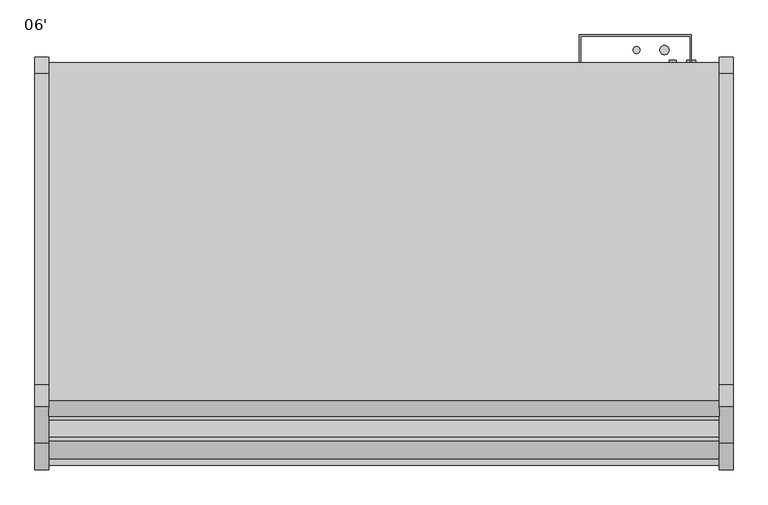
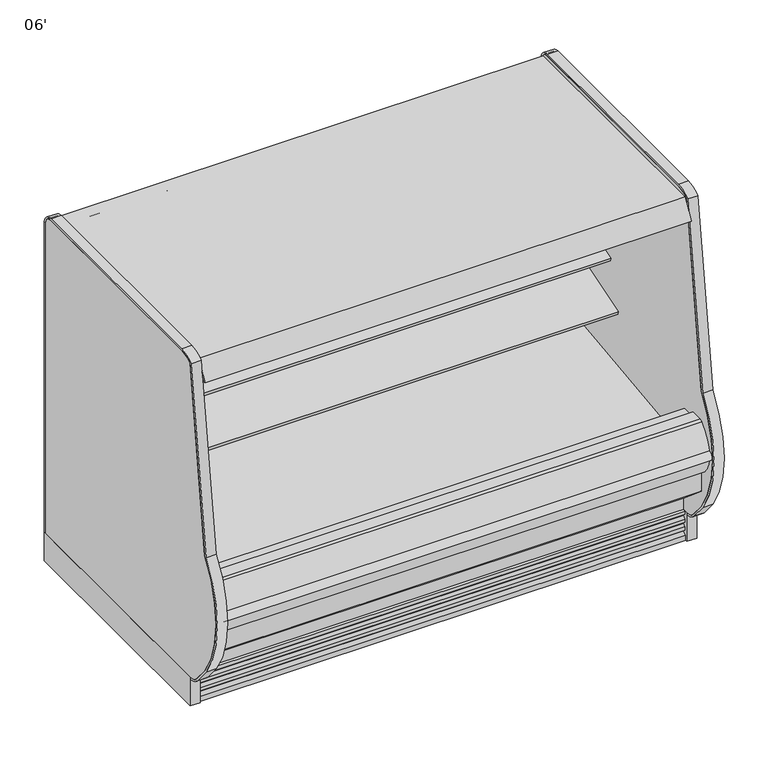
"""IFC4 building model written with IfcOpenShell, lengths in millimetres: proxy geometry, 06'."""

from ifc_helpers import new_model, si_unit, point, frame, frame_2d, origin, origin_with_axes, place, context, project, spatial, polyline, circle_curve, trimmed, segment, composite_curve, outline, extrude, source, transform, mapped, element, save
from ifc_brep_helpers import plane_surface, cylinder_surface, revolved_surface, advanced_brep


def proxy_06_3857436d(model_context):
    return source(origin(), model_context, "Body", "SolidModel", [
        extrude(outline(polyline([(-401.5420871, 1362.075), (-401.5420871, 1282.7), (-1093.7252469, 1282.7), (-1105.8015638, 1256.802255), (-1200.4085361, 1300.9182107), (-1225.1961342, 1305.288933), (-1309.2527356, 1334.231942), (-1332.5110244, 1334.231942), (-1360.1052943, 1286.4372646), (-1366.903609, 1290.3622734), (-1325.5002469, 1362.075), (-401.5420871, 1362.075)])), frame((0.0, 0.0, 0.0), z_axis=(1.0, 0.0, 0.0), x_axis=(0.0, 1.0, 0.0)), (0.0, 0.0, 1.0), 1828.8),
        extrude(outline(composite_curve([segment(polyline([(-1096.5213314, 1282.4140888), (-1106.5849287, 1260.8326346), (-1113.060516, 1263.8522505), (-1190.7525796, 1300.0806548), (-1197.8046638, 1303.4346622)]), True, "CONTINUOUS"), segment(trimmed(circle_curve(frame_2d((-1197.4664735, 1304.145736)), 0.7874), [point((-1197.8046638, 1303.4346622))], [point((-1198.1775473, 1304.4839264))], False, "CARTESIAN"), True, "CONTINUOUS"), segment(polyline([(-1198.1775473, 1304.4839264), (-1188.316007, 1325.218649), (-1096.5213314, 1282.4140888)]), True, "CONTINUOUS")], self_intersect=False)), frame((0.0, 0.0, 0.0), z_axis=(1.0, 0.0, 0.0), x_axis=(0.0, 1.0, 0.0)), (0.0, 0.0, 1.0), 1828.8),
        extrude(outline(composite_curve([segment(trimmed(circle_curve(frame_2d((-1261.1428884, 1298.0740592)), 14.2875), [point((-1274.5687467, 1302.960672))], [point((-1247.7170301, 1293.1874464))], False, "CARTESIAN"), True, "CONTINUOUS"), segment(trimmed(circle_curve(frame_2d((-1261.1428884, 1298.0740592)), 14.2875), [point((-1247.7170301, 1293.1874464))], [point((-1274.5687467, 1302.960672))], False, "CARTESIAN"), True, "CONTINUOUS")], self_intersect=False)), frame((0.0, 0.0, 0.0), z_axis=(1.0, 0.0, 0.0), x_axis=(0.0, 1.0, 0.0)), (0.0, 0.0, 1.0), 1828.8),
        extrude(outline(composite_curve([segment(trimmed(circle_curve(frame_2d((-1296.2768679, 1310.8617819)), 14.2875), [point((-1309.7027262, 1315.7483947))], [point((-1282.8510095, 1305.9751691))], False, "CARTESIAN"), True, "CONTINUOUS"), segment(trimmed(circle_curve(frame_2d((-1296.2768679, 1310.8617819)), 14.2875), [point((-1282.8510095, 1305.9751691))], [point((-1309.7027262, 1315.7483947))], False, "CARTESIAN"), True, "CONTINUOUS")], self_intersect=False)), frame((0.0, 0.0, 0.0), z_axis=(1.0, 0.0, 0.0), x_axis=(0.0, 1.0, 0.0)), (0.0, 0.0, 1.0), 1828.8),
        advanced_brep(
        [(1828.8, -503.5101743, 931.1949857), (1828.8, -843.5721456, 827.2276075), (1828.8, -839.4134505, 813.6251286), (1828.8, -785.6425933, 830.0645294), (1828.8, -783.2129491, 827.2095892), (1828.8, -595.4964367, 859.8203852), (1828.8, -560.8622707, 856.1425043), (1828.8, -539.5668728, 847.5478657), (1828.8, -522.2225366, 846.9415182), (1828.8, -503.5101743, 852.9872079), (0.0, -503.5101743, 931.1949857), (0.0, -503.5101743, 852.9872079), (0.0, -522.2151998, 846.918903), (0.0, -539.5668728, 847.5478657), (0.0, -560.8622707, 856.1425043), (0.0, -595.4964367, 859.8203852), (0.0, -783.2129491, 827.2095892), (0.0, -785.6425933, 830.0645294), (0.0, -839.4134505, 813.6251286), (0.0, -843.5721456, 827.2276075)],
        [
            (0, 1),
            (1, 2),
            (2, 3),
            (3, 4),
            (4, 5),
            (5, 6, circle_curve(frame((1828.8, -584.627774, 797.2574396), z_axis=(-1.0, 0.0, 0.0), x_axis=(0.0, 1.0, 0.0)), 63.5)),
            (6, 7),
            (7, 8, circle_curve(frame((1828.8, -530.0606714, 871.1018916), z_axis=(1.0, 0.0, 0.0), x_axis=(0.0, 1.0, 0.0)), 25.4)),
            (8, 9),
            (9, 0),
            (10, 11),
            (11, 12),
            (12, 13, circle_curve(frame((0.0, -530.0606714, 871.1018916), z_axis=(-1.0, 0.0, 0.0), x_axis=(0.0, 1.0, 0.0)), 25.4)),
            (13, 14),
            (14, 15, circle_curve(frame((0.0, -584.627774, 797.2574396), z_axis=(1.0, 0.0, 0.0), x_axis=(0.0, 1.0, 0.0)), 63.5)),
            (15, 16),
            (16, 17),
            (17, 18),
            (18, 19),
            (19, 10),
            (0, 10),
            (19, 1),
            (2, 18),
            (17, 3),
            (8, 12),
            (11, 9),
            (16, 4),
            (15, 5),
            (14, 6),
            (13, 7),
        ],
        [
            plane_surface(frame((1828.8, -503.5101743, 931.1949857), z_axis=(1.0, 0.0, 0.0), x_axis=(0.0, -0.9563047559631227, -0.2923717047224515))),
            plane_surface(frame((0.0, -503.5101743, 931.1949857), z_axis=(-1.0, 0.0, 0.0), x_axis=(0.0, 0.9563047559631227, 0.2923717047224515))),
            plane_surface(frame((1828.8, -503.5101743, 931.1949857), z_axis=(0.0, -0.2923717047224515, 0.9563047559631227), x_axis=(-1.0, 0.0, 0.0))),
            plane_surface(frame((1828.8, -839.4134505, 813.6251286), z_axis=(0.0, 0.2923717047224507, -0.9563047559631229), x_axis=(-1.0, 0.0, 0.0))),
            plane_surface(frame((1828.8, -522.2151998, 846.918903), z_axis=(0.0, 0.3085879853198186, -0.9511958028272914), x_axis=(-1.0, 0.0, 0.0))),
            plane_surface(frame((1828.8, -503.5101743, 852.9872079), z_axis=(0.0, 1.0, 0.0), x_axis=(-1.0, 0.0, 0.0))),
            plane_surface(frame((1828.8, -843.5721456, 827.2276075), z_axis=(0.0, -0.9563047559631227, -0.29237170472245155), x_axis=(-1.0, 0.0, 0.0))),
            plane_surface(frame((1828.8, -785.6425933, 830.0645294), z_axis=(0.0, -0.761551533788134, -0.648104359949029), x_axis=(-1.0, 0.0, 0.0))),
            plane_surface(frame((1828.8, -783.2129491, 827.2095892), z_axis=(0.0, 0.1711600427683192, -0.9852432388804032), x_axis=(-1.0, 0.0, 0.0))),
            revolved_surface(polyline([(0.0, -521.127774, 797.2574396), (1828.8, -521.127774, 797.2574396)]), (0.0, -584.627774, 797.2574396), (-1.0, 0.0, 0.0)),
            plane_surface(frame((1828.8, -560.8622707, 856.1425043), z_axis=(0.0, -0.37425989519044295, -0.9273238543529648), x_axis=(-1.0, 0.0, 0.0))),
            cylinder_surface(frame((0.0, -530.0606714, 871.1018916), z_axis=(1.0, 0.0, 0.0), x_axis=(0.0, 1.0, 0.0)), 25.4),
        ],
        [
            (0, [[1, 2, 3, 4, 5, 6, 7, 8, 9, 10]]),
            (1, [[11, 12, 13, 14, 15, 16, 17, 18, 19, 20]]),
            (2, [[-1, 21, -20, 22]]),
            (3, [[-3, 23, -18, 24]]),
            (4, [[-9, 25, -12, 26]]),
            (5, [[-10, -26, -11, -21]]),
            (6, [[-2, -22, -19, -23]]),
            (7, [[-4, -24, -17, 27]]),
            (8, [[-5, -27, -16, 28]]),
            (9, [[-6, -28, -15, 29]]),
            (10, [[-7, -29, -14, 30]]),
            (11, [[-8, -30, -13, -25]]),
        ],
    ),
        advanced_brep(
        [(0.0, -401.5420871, 1362.1205827), (0.0, -401.5420871, 130.175), (0.0, -1280.80896, 130.175), (0.0, -1430.5207837, 255.8259604), (0.0, -1430.5207837, 390.4771975), (0.0, -1379.5124455, 390.4771975), (0.0, -1379.5124455, 334.3739209), (0.0, -1221.9978428, 189.2843753), (0.0, -1163.9532566, 157.108203), (0.0, -1097.1372497, 157.108203), (0.0, -1044.0253464, 195.6902403), (0.0, -599.4158608, 211.674682), (0.0, -452.3420871, 350.7638053), (0.0, -452.3420871, 1362.1205827), (1828.8, -401.5420871, 1362.1205827), (1828.8, -452.3420871, 1362.1205827), (1828.8, -452.3420871, 350.7638053), (1828.8, -599.4158608, 211.674682), (1828.8, -1044.0253464, 195.6902403), (1828.8, -1097.1372497, 157.108203), (1828.8, -1163.9532566, 157.108203), (1828.8, -1221.9978428, 189.2843753), (1828.8, -1379.5124455, 334.3739209), (1828.8, -1379.5124455, 390.4771975), (1828.8, -1430.5207837, 390.4771975), (1828.8, -1430.5207837, 255.8259604), (1828.8, -1280.80896, 130.175), (1828.8, -401.5420871, 130.175), (1727.2, -401.5420871, 417.7254285), (1727.2, -401.5420871, 316.1254285), (1727.2, -446.7209273, 316.1254285), (1727.2, -446.7209273, 417.7254285)],
        [
            (0, 1),
            (1, 2),
            (2, 3),
            (3, 4),
            (4, 5),
            (5, 6),
            (6, 7, circle_curve(frame((0.0, -1227.3166131, 341.5567466), z_axis=(1.0, 0.0, 0.0), x_axis=(0.0, 1.0, 0.0)), 152.3652335)),
            (7, 8),
            (8, 9),
            (9, 10),
            (10, 11),
            (11, 12, circle_curve(frame((0.0, -604.9275955, 364.8057873), z_axis=(1.0, 0.0, 0.0), x_axis=(0.0, 1.0, 0.0)), 153.2302667)),
            (12, 13),
            (13, 0),
            (14, 15),
            (15, 16),
            (16, 17, circle_curve(frame((1828.8, -604.9275955, 364.8057873), z_axis=(-1.0, 0.0, 0.0), x_axis=(0.0, 1.0, 0.0)), 153.2302667)),
            (17, 18),
            (18, 19),
            (19, 20),
            (20, 21),
            (21, 22, circle_curve(frame((1828.8, -1227.3166131, 341.5567466), z_axis=(-1.0, 0.0, 0.0), x_axis=(0.0, 1.0, 0.0)), 152.3652335)),
            (22, 23),
            (23, 24),
            (24, 25),
            (25, 26),
            (26, 27),
            (27, 14),
            (13, 15),
            (14, 0),
            (12, 16),
            (5, 23),
            (22, 6),
            (4, 24),
            (3, 25),
            (2, 26),
            (1, 27),
            (28, 29, circle_curve(frame((1727.2, -401.5420871, 366.9254285), z_axis=(0.0, -1.0, 0.0), x_axis=(0.0, 0.0, 1.0)), 50.8)),
            (29, 28, circle_curve(frame((1727.2, -401.5420871, 366.9254285), z_axis=(0.0, -1.0, 0.0), x_axis=(0.0, 0.0, 1.0)), 50.8)),
            (11, 17),
            (10, 18),
            (9, 19),
            (8, 20),
            (7, 21),
            (30, 31, circle_curve(frame((1727.2, -446.7209273, 366.9254285), z_axis=(0.0, 1.0, 0.0), x_axis=(0.0, 0.0, 1.0)), 50.8)),
            (31, 30, circle_curve(frame((1727.2, -446.7209273, 366.9254285), z_axis=(0.0, 1.0, 0.0), x_axis=(0.0, 0.0, 1.0)), 50.8)),
            (30, 29),
            (28, 31),
        ],
        [
            plane_surface(frame((0.0, -452.3420871, 1362.1205827), z_axis=(-1.0, 0.0, 0.0), x_axis=(0.0, 1.0, 0.0))),
            plane_surface(frame((1828.8, -452.3420871, 1362.1205827), z_axis=(1.0, 0.0, 0.0), x_axis=(0.0, -1.0, 0.0))),
            plane_surface(frame((1828.8, -401.5420871, 1362.1205827), z_axis=(0.0, 0.0, 1.0), x_axis=(-1.0, 0.0, 0.0))),
            plane_surface(frame((1828.8, -452.3420871, 1362.1205827), z_axis=(0.0, -1.0, 0.0), x_axis=(-1.0, 0.0, 0.0))),
            plane_surface(frame((1828.8, -1379.5124455, 334.3739209), z_axis=(0.0, 1.0, 0.0), x_axis=(-1.0, 0.0, 0.0))),
            plane_surface(frame((1828.8, -1379.5124455, 390.4771975), z_axis=(0.0, 0.0, 1.0), x_axis=(-1.0, 0.0, 0.0))),
            plane_surface(frame((1828.8, -1430.5207837, 390.4771975), z_axis=(0.0, -1.0, 0.0), x_axis=(-1.0, 0.0, 0.0))),
            plane_surface(frame((1828.8, -1430.5207837, 255.8259604), z_axis=(0.0, -0.642871145330384, -0.7659743406287187), x_axis=(-1.0, 0.0, 0.0))),
            plane_surface(frame((1828.8, -1280.80896, 130.175), z_axis=(0.0, 0.0, -1.0), x_axis=(-1.0, 0.0, 0.0))),
            plane_surface(frame((1828.8, -401.5420871, 130.175), z_axis=(0.0, 1.0, 0.0), x_axis=(-1.0, 0.0, 0.0))),
            revolved_surface(polyline([(0.0, -451.69732880000004, 364.8057873), (1828.8, -451.69732880000004, 364.8057873)]), (0.0, -604.9275955, 364.8057873), (-1.0, 0.0, 0.0)),
            plane_surface(frame((1828.8, -599.4158608, 211.674682), z_axis=(0.0, -0.035928431956195744, 0.9993543654666092), x_axis=(-1.0, 0.0, 0.0))),
            plane_surface(frame((1828.8, -1044.0253464, 195.6902403), z_axis=(0.0, -0.5877252382161418, 0.8090605937528904), x_axis=(-1.0, 0.0, 0.0))),
            plane_surface(frame((1828.8, -1097.1372497, 157.108203), z_axis=(0.0, 0.0, 1.0), x_axis=(-1.0, 0.0, 0.0))),
            plane_surface(frame((1828.8, -1163.9532566, 157.108203), z_axis=(0.0, 0.4848272875913493, 0.87460991373687), x_axis=(-1.0, 0.0, 0.0))),
            revolved_surface(polyline([(0.0, -1074.9513796, 341.5567466), (1828.8, -1074.9513796, 341.5567466)]), (0.0, -1227.3166131, 341.5567466), (-1.0, 0.0, 0.0)),
            plane_surface(frame((1727.2, -446.7209273, 417.7254285), z_axis=(0.0, 1.0, 0.0), x_axis=(-1.0, 0.0, 0.0))),
            revolved_surface(polyline([(1727.2, -401.5420871, 417.7254285), (1727.2, -446.7209273, 417.7254285)]), (1727.2, -446.7209273, 366.9254285), (0.0, 1.0, 0.0)),
        ],
        [
            (0, [[1, 2, 3, 4, 5, 6, 7, 8, 9, 10, 11, 12, 13, 14]]),
            (1, [[15, 16, 17, 18, 19, 20, 21, 22, 23, 24, 25, 26, 27, 28]]),
            (2, [[-14, 29, -15, 30]]),
            (3, [[-13, 31, -16, -29]]),
            (4, [[-6, 32, -23, 33]]),
            (5, [[-5, 34, -24, -32]]),
            (6, [[-4, 35, -25, -34]]),
            (7, [[-3, 36, -26, -35]]),
            (8, [[-2, 37, -27, -36]]),
            (9, [[-1, -30, -28, -37], [38, 39]]),
            (10, [[-12, 40, -17, -31]]),
            (11, [[-11, 41, -18, -40]]),
            (12, [[-10, 42, -19, -41]]),
            (13, [[-9, 43, -20, -42]]),
            (14, [[-8, 44, -21, -43]]),
            (15, [[-7, -33, -22, -44]]),
            (16, [[45, 46]]),
            (17, [[-45, 47, -38, 48]]),
            (17, [[-46, -48, -39, -47]]),
        ],
    ),
        extrude(outline(composite_curve([segment(polyline([(-503.5101744, 1108.1412699), (-503.5101744, 1029.9334921), (-520.8851964, 1024.2966684)]), True, "CONTINUOUS"), segment(trimmed(circle_curve(frame_2d((-528.7233313, 1048.4570418)), 25.4), [point((-520.8851964, 1024.2966684))], [point((-538.2295326, 1024.9030158))], False, "CARTESIAN"), True, "CONTINUOUS"), segment(polyline([(-538.2295326, 1024.9030158), (-559.5249305, 1033.4976544)]), True, "CONTINUOUS"), segment(trimmed(circle_curve(frame_2d((-583.2904338, 974.6125897)), 63.5), [point((-559.5249305, 1033.4976544))], [point((-594.1590965, 1037.1755354))], True, "CARTESIAN"), True, "CONTINUOUS"), segment(polyline([(-594.1590965, 1037.1755354), (-731.9271964, 1019.8355015), (-734.3568405, 1022.6904418), (-790.8331688, 1005.4238954), (-794.991864, 1019.0263743), (-503.5101744, 1108.1412699)]), True, "CONTINUOUS")], self_intersect=False)), frame((0.0, 0.0, 0.0), z_axis=(1.0, 0.0, 0.0), x_axis=(0.0, 1.0, 0.0)), (0.0, 0.0, 1.0), 1828.8),
        extrude(outline(composite_curve([segment(polyline([(-503.5101744, 684.5796647), (-522.2225366, 678.5089796)]), True, "CONTINUOUS"), segment(trimmed(circle_curve(frame_2d((-530.0606714, 702.669353)), 25.4), [point((-522.2225366, 678.5089796))], [point((-539.5668728, 679.1153271))], False, "CARTESIAN"), True, "CONTINUOUS"), segment(polyline([(-539.5668728, 679.1153271), (-560.8622707, 687.7099657)]), True, "CONTINUOUS"), segment(trimmed(circle_curve(frame_2d((-584.627774, 628.8249009)), 63.5), [point((-560.8622707, 687.7099657))], [point((-595.4964367, 691.3878466))], True, "CARTESIAN"), True, "CONTINUOUS"), segment(polyline([(-595.4964367, 691.3878466), (-783.2129491, 658.7770506), (-785.6425933, 661.6319908), (-887.993732, 630.3401074), (-892.1524272, 643.9425862), (-503.5101744, 762.762447), (-503.5101744, 684.5796647)]), True, "CONTINUOUS")], self_intersect=False)), frame((0.0, 0.0, 0.0), z_axis=(1.0, 0.0, 0.0), x_axis=(0.0, 1.0, 0.0)), (0.0, 0.0, 1.0), 1828.8),
        extrude(outline(composite_curve([segment(trimmed(circle_curve(frame_2d((-1481.8568934, 431.5331592)), 18.450875), [point((-1485.1962049, 413.3869809))], [point((-1484.859656, 449.7380543))], False, "CARTESIAN"), True, "CONTINUOUS"), segment(polyline([(-1484.859656, 449.7380543), (-1486.2875159, 444.2788694)]), True, "CONTINUOUS"), segment(trimmed(circle_curve(frame_2d((-1359.7644053, 433.283303)), 126.9999999), [point((-1486.2875159, 444.2788694))], [point((-1485.1962049, 413.3869809))], True, "CARTESIAN"), True, "CONTINUOUS")], self_intersect=False)), frame((0.0, 0.0, 0.0), z_axis=(1.0, 0.0, 0.0), x_axis=(0.0, 1.0, 0.0)), (0.0, 0.0, 1.0), 1828.8),
        extrude(outline(composite_curve([segment(polyline([(-1430.5207837, 390.4771975), (-1430.5207837, 349.2540688), (-1454.9909131, 349.2540688)]), True, "CONTINUOUS"), segment(trimmed(circle_curve(frame_2d((-1359.7644053, 433.283303)), 126.9999999), [point((-1454.9909131, 349.2540688))], [point((-1486.2875159, 444.2788694))], False, "CARTESIAN"), True, "CONTINUOUS"), segment(trimmed(circle_curve(frame_2d((-1312.9030759, 405.0685499)), 177.7628003), [point((-1486.2875159, 444.2788694))], [point((-1433.6857347, 535.4953973))], False, "CARTESIAN"), True, "CONTINUOUS"), segment(trimmed(circle_curve(frame_2d((-1422.8289382, 523.7717132)), 15.9785731), [point((-1433.6857347, 535.4953973))], [point((-1422.9245877, 539.75))], False, "CARTESIAN"), True, "CONTINUOUS"), segment(polyline([(-1422.9245877, 539.75), (-1377.3315877, 539.75), (-1377.3315877, 520.4426474), (-1379.5124455, 520.4426474), (-1379.5124455, 390.4771975), (-1430.5207837, 390.4771975)]), True, "CONTINUOUS")], self_intersect=False)), frame((0.0, 0.0, 0.0), z_axis=(1.0, 0.0, 0.0), x_axis=(0.0, 1.0, 0.0)), (0.0, 0.0, 1.0), 1828.8),
        extrude(outline(composite_curve([segment(polyline([(-1305.8908654, 151.2490419), (-1305.8908654, 0.0), (-1329.0357106, 0.0), (-1329.0357106, 19.9045671)]), True, "CONTINUOUS"), segment(trimmed(circle_curve(frame_2d((-1328.499887, 33.5999438)), 13.7058546), [point((-1329.0357106, 19.9045671))], [point((-1315.4179076, 29.51188))], True, "CARTESIAN"), True, "CONTINUOUS"), segment(polyline([(-1315.4179076, 29.51188), (-1311.9288106, 40.67714), (-1322.5660058, 38.5193172), (-1324.5599058, 38.5193172), (-1324.5599058, 51.2193172)]), True, "CONTINUOUS"), segment(trimmed(circle_curve(frame_2d((-1328.9777736, 64.7214645)), 14.2065314), [point((-1324.5599058, 51.2193172))], [point((-1315.4179076, 60.4840631))], True, "CARTESIAN"), True, "CONTINUOUS"), segment(polyline([(-1315.4179076, 60.4840631), (-1311.9288106, 71.6493231), (-1322.5660058, 69.4915004), (-1324.5599058, 69.4915004), (-1324.5599058, 82.1915004)]), True, "CONTINUOUS"), segment(trimmed(circle_curve(frame_2d((-1329.0501489, 95.765064)), 14.2969897), [point((-1324.5599058, 82.1915004))], [point((-1315.4179076, 91.4562462))], True, "CARTESIAN"), True, "CONTINUOUS"), segment(polyline([(-1315.4179076, 91.4562462), (-1311.9288106, 102.4950543), (-1322.5660058, 100.4638704), (-1324.5599058, 100.4638704), (-1324.5599058, 113.1638704)]), True, "CONTINUOUS"), segment(trimmed(circle_curve(frame_2d((-1323.9621412, 124.1285303)), 10.9809422), [point((-1324.5599058, 113.1638704))], [point((-1316.1764071, 116.3849243))], True, "CARTESIAN"), True, "CONTINUOUS"), segment(polyline([(-1316.1764071, 116.3849243), (-1316.1764071, 159.8796362), (-1305.8908654, 151.2490419)]), True, "CONTINUOUS")], self_intersect=False)), frame((0.0, 0.0, 0.0), z_axis=(1.0, 0.0, 0.0), x_axis=(0.0, 1.0, 0.0)), (0.0, 0.0, 1.0), 1828.8),
        extrude(outline(polyline([(688.975, -695.7909621), (688.975, -1117.5324221), (180.975, -1117.5324221), (180.975, -695.7909621), (688.975, -695.7909621)])), frame((0.0, 0.0, 68.5310382), z_axis=(0.0, 0.0, 1.0), x_axis=(1.0, 0.0, 0.0)), (0.0, 0.0, 1.0), 6.35),
        extrude(outline(polyline([(1828.8, -452.3420871), (1828.8, -503.5101744), (0.0, -503.5101744), (0.0, -452.3420871), (1828.8, -452.3420871)])), frame((0.0, 0.0, 415.8429537), z_axis=(0.0, 0.0, 1.0), x_axis=(1.0, 0.0, 0.0)), (0.0, 0.0, 1.0), 867.0899215),
        advanced_brep(
        [(0.0, -503.5101744, 418.8942432), (0.0, -452.3420871, 418.8942432), (0.0, -452.3420871, 350.7638053), (0.0, -599.4158608, 211.674682), (0.0, -1043.4743285, 195.6902403), (0.0, -1096.5862318, 157.108203), (0.0, -1163.4022387, 157.108203), (0.0, -1221.4788318, 189.3021178), (0.0, -1379.5124455, 334.3739209), (0.0, -1379.5124455, 520.4426474), (0.0, -1322.6270145, 520.4426474), (0.0, -1322.6270145, 375.3611369), (0.0, -1298.2271496, 375.3611369), (0.0, -1292.7855784, 377.3027762), (0.0, -599.3992665, 460.375), (0.0, -599.0350944, 455.1670959), (0.0, -516.4106498, 460.9447599), (0.0, -503.5101744, 473.8452354), (1828.8, -503.5101744, 418.8942432), (1828.8, -503.5101744, 473.8452354), (1828.8, -516.4106498, 460.9447599), (1828.8, -599.0350944, 455.1670959), (1828.8, -599.3992665, 460.375), (1828.8, -1292.7855784, 377.3027762), (1828.8, -1298.2271496, 375.3611369), (1828.8, -1322.6270145, 375.3611369), (1828.8, -1322.6270145, 520.4426474), (1828.8, -1379.5124455, 520.4426474), (1828.8, -1379.5124455, 334.3739209), (1828.8, -1221.4788318, 189.3021178), (1828.8, -1163.4022387, 157.108203), (1828.8, -1096.5862318, 157.108203), (1828.8, -1043.4743285, 195.6902403), (1828.8, -599.4158608, 211.674682), (1828.8, -452.3420871, 350.7638053), (1828.8, -452.3420871, 418.8942432)],
        [
            (0, 1),
            (1, 2),
            (2, 3, circle_curve(frame((0.0, -604.9275955, 364.8057873), z_axis=(-1.0, 0.0, 0.0), x_axis=(0.0, 1.0, 0.0)), 153.2302667)),
            (3, 4),
            (4, 5),
            (5, 6),
            (6, 7),
            (7, 8, circle_curve(frame((0.0, -1227.2834533, 341.5915343), z_axis=(-1.0, 0.0, 0.0), x_axis=(0.0, 1.0, 0.0)), 152.4)),
            (8, 9),
            (9, 10),
            (10, 11),
            (11, 12),
            (12, 13),
            (13, 14),
            (14, 15),
            (15, 16),
            (16, 17, circle_curve(frame((0.0, -516.4106498, 473.8452354), z_axis=(1.0, 0.0, 0.0), x_axis=(0.0, 1.0, 0.0)), 12.9004754)),
            (17, 0),
            (18, 19),
            (19, 20, circle_curve(frame((1828.8, -516.4106498, 473.8452354), z_axis=(-1.0, 0.0, 0.0), x_axis=(0.0, 1.0, 0.0)), 12.9004754)),
            (20, 21),
            (21, 22),
            (22, 23),
            (23, 24),
            (24, 25),
            (25, 26),
            (26, 27),
            (27, 28),
            (28, 29, circle_curve(frame((1828.8, -1227.2834533, 341.5915343), z_axis=(1.0, 0.0, 0.0), x_axis=(0.0, 1.0, 0.0)), 152.4)),
            (29, 30),
            (30, 31),
            (31, 32),
            (32, 33),
            (33, 34, circle_curve(frame((1828.8, -604.9275955, 364.8057873), z_axis=(1.0, 0.0, 0.0), x_axis=(0.0, 1.0, 0.0)), 153.2302667)),
            (34, 35),
            (35, 18),
            (34, 2),
            (1, 35),
            (0, 18),
            (17, 19),
            (16, 20),
            (15, 21),
            (14, 22),
            (29, 7),
            (6, 30),
            (5, 31),
            (4, 32),
            (3, 33),
            (13, 23),
            (12, 24),
            (11, 25),
            (10, 26),
            (9, 27),
            (8, 28),
        ],
        [
            plane_surface(frame((0.0, -503.5101744, 473.8452354), z_axis=(-1.0, 0.0, 0.0), x_axis=(0.0, 0.0, -1.0))),
            plane_surface(frame((1828.8, -503.5101744, 473.8452354), z_axis=(1.0, 0.0, 0.0), x_axis=(0.0, 0.0, 1.0))),
            plane_surface(frame((1828.8, -452.3420871, 350.7638053), z_axis=(0.0, 1.0, 0.0), x_axis=(-1.0, 0.0, 0.0))),
            plane_surface(frame((1828.8, -452.3420871, 418.8942432), z_axis=(0.0, 0.0, 1.0), x_axis=(-1.0, 0.0, 0.0))),
            plane_surface(frame((1828.8, -503.5101744, 418.8942432), z_axis=(0.0, 1.0, 0.0), x_axis=(-1.0, 0.0, 0.0))),
            revolved_surface(polyline([(0.0, -503.5101744, 473.8452354), (1828.8, -503.5101744, 473.8452354)]), (0.0, -516.4106498, 473.8452354), (-1.0, 0.0, 0.0)),
            plane_surface(frame((1828.8, -516.4106498, 460.9447599), z_axis=(0.0, -0.06975647369737534, 0.9975640502630934), x_axis=(-1.0, 0.0, 0.0))),
            plane_surface(frame((1828.8, -599.0350944, 455.1670959), z_axis=(0.0, 0.9975640502630916, 0.06975647369740078), x_axis=(-1.0, 0.0, 0.0))),
            plane_surface(frame((1828.8, -1221.4788318, 189.3021178), z_axis=(0.0, -0.48482728759135, -0.8746099137368696), x_axis=(-1.0, 0.0, 0.0))),
            plane_surface(frame((1828.8, -1163.4022387, 157.108203), z_axis=(0.0, 0.0, -1.0), x_axis=(-1.0, 0.0, 0.0))),
            plane_surface(frame((1828.8, -1096.5862318, 157.108203), z_axis=(0.0, 0.5877252382161428, -0.8090605937528897), x_axis=(-1.0, 0.0, 0.0))),
            plane_surface(frame((1828.8, -1043.4743285, 195.6902403), z_axis=(0.0, 0.0359729567363374, -0.9993527637344312), x_axis=(-1.0, 0.0, 0.0))),
            cylinder_surface(frame((0.0, -604.9275955, 364.8057873), z_axis=(1.0, 0.0, 0.0), x_axis=(0.0, 1.0, 0.0)), 153.2302667),
            plane_surface(frame((1828.8, -599.3992665, 460.375), z_axis=(0.0, -0.11895587145051076, 0.9928995420723336), x_axis=(-1.0, 0.0, 0.0))),
            plane_surface(frame((1828.8, -1292.7855784, 377.3027762), z_axis=(0.0, -0.3360633076512325, 0.9418393988629448), x_axis=(-1.0, 0.0, 0.0))),
            plane_surface(frame((1828.8, -1298.2271496, 375.3611369), z_axis=(0.0, 0.0, 1.0), x_axis=(-1.0, 0.0, 0.0))),
            plane_surface(frame((1828.8, -1322.6270145, 375.3611369), z_axis=(0.0, 1.0, 0.0), x_axis=(-1.0, 0.0, 0.0))),
            plane_surface(frame((1828.8, -1322.6270145, 520.4426474), z_axis=(0.0, 0.0, 1.0), x_axis=(-1.0, 0.0, 0.0))),
            plane_surface(frame((1828.8, -1379.5124455, 520.4426474), z_axis=(0.0, -1.0, 0.0), x_axis=(-1.0, 0.0, 0.0))),
            cylinder_surface(frame((0.0, -1227.2834533, 341.5915343), z_axis=(1.0, 0.0, 0.0), x_axis=(0.0, 1.0, 0.0)), 152.4),
        ],
        [
            (0, [[1, 2, 3, 4, 5, 6, 7, 8, 9, 10, 11, 12, 13, 14, 15, 16, 17, 18]]),
            (1, [[19, 20, 21, 22, 23, 24, 25, 26, 27, 28, 29, 30, 31, 32, 33, 34, 35, 36]]),
            (2, [[-35, 37, -2, 38]]),
            (3, [[-36, -38, -1, 39]]),
            (4, [[-19, -39, -18, 40]]),
            (5, [[-20, -40, -17, 41]]),
            (6, [[-21, -41, -16, 42]]),
            (7, [[-22, -42, -15, 43]]),
            (8, [[-30, 44, -7, 45]]),
            (9, [[-31, -45, -6, 46]]),
            (10, [[-32, -46, -5, 47]]),
            (11, [[-33, -47, -4, 48]]),
            (12, [[-34, -48, -3, -37]]),
            (13, [[-23, -43, -14, 49]]),
            (14, [[-24, -49, -13, 50]]),
            (15, [[-25, -50, -12, 51]]),
            (16, [[-26, -51, -11, 52]]),
            (17, [[-27, -52, -10, 53]]),
            (18, [[-28, -53, -9, 54]]),
            (19, [[-29, -54, -8, -44]]),
        ],
    ),
        extrude(outline(polyline([(-401.5420871, 130.175), (-401.5420871, 0.0), (-446.7540871, 0.0), (-446.7540871, 74.8810382), (-1160.5475206, 74.8810382), (-1160.5475206, 0.0), (-1207.4658654, 0.0), (-1207.4658654, 130.175), (-401.5420871, 130.175)])), frame((0.0, 0.0, 0.0), z_axis=(1.0, 0.0, 0.0), x_axis=(0.0, 1.0, 0.0)), (0.0, 0.0, 1.0), 1828.8),
        extrude(outline(composite_curve([segment(trimmed(circle_curve(frame_2d((1583.9400636, -1128.6170871)), 9.525), [point((1574.4150636, -1128.6170871))], [point((1593.4650636, -1128.6170871))], False, "CARTESIAN"), True, "CONTINUOUS"), segment(trimmed(circle_curve(frame_2d((1583.9400636, -1128.6170871)), 9.525), [point((1593.4650636, -1128.6170871))], [point((1574.4150636, -1128.6170871))], False, "CARTESIAN"), True, "CONTINUOUS")], self_intersect=False)), frame((0.0, 0.0, 68.5310382), z_axis=(0.0, 0.0, 1.0), x_axis=(1.0, 0.0, 0.0)), (0.0, 0.0, 1.0), 52.7807458),
        extrude(outline(composite_curve([segment(trimmed(circle_curve(frame_2d((1627.4110784, -1128.6170871)), 12.7), [point((1614.7110784, -1128.6170871))], [point((1640.1110784, -1128.6170871))], False, "CARTESIAN"), True, "CONTINUOUS"), segment(trimmed(circle_curve(frame_2d((1627.4110784, -1128.6170871)), 12.7), [point((1640.1110784, -1128.6170871))], [point((1614.7110784, -1128.6170871))], False, "CARTESIAN"), True, "CONTINUOUS")], self_intersect=False)), frame((0.0, 0.0, 68.5310382), z_axis=(0.0, 0.0, 1.0), x_axis=(1.0, 0.0, 0.0)), (0.0, 0.0, 1.0), 52.7807458),
        extrude(outline(polyline([(0.0, -385.6670871), (0.0, -1335.5812273), (-38.1, -1335.5812273), (-38.1, -385.6670871), (0.0, -385.6670871)])), origin_with_axes(), (0.0, 0.0, 1.0), 114.3),
        extrude(outline(polyline([(1866.9, -385.6670871), (1866.9, -1335.5812273), (1828.8, -1335.5812273), (1828.8, -385.6670871), (1866.9, -385.6670871)])), origin_with_axes(), (0.0, 0.0, 1.0), 114.3),
        extrude(outline(polyline([(1749.425, -401.5420871), (1749.425, -328.5170871), (1450.975, -328.5170871), (1450.975, -401.5420871), (1447.8, -401.5420871), (1447.8, -325.3420871), (1752.6, -325.3420871), (1752.6, -401.5420871), (1749.425, -401.5420871)])), frame((0.0, 0.0, 509.3917508), z_axis=(0.0, 0.0, 1.0), x_axis=(1.0, 0.0, 0.0)), (0.0, 0.0, 1.0), 744.968275),
        extrude(outline(composite_curve([segment(trimmed(circle_curve(frame_2d((1603.375, -366.6170871)), 9.525), [point((1593.85, -366.6170871))], [point((1612.9, -366.6170871))], False, "CARTESIAN"), True, "CONTINUOUS"), segment(trimmed(circle_curve(frame_2d((1603.375, -366.6170871)), 9.525), [point((1612.9, -366.6170871))], [point((1593.85, -366.6170871))], False, "CARTESIAN"), True, "CONTINUOUS")], self_intersect=False)), frame((0.0, 0.0, 938.4284214), z_axis=(0.0, 0.0, 1.0), x_axis=(1.0, 0.0, 0.0)), (0.0, 0.0, 1.0), 359.2448082),
        extrude(outline(composite_curve([segment(trimmed(circle_curve(frame_2d((1679.575, -366.6170871)), 12.7), [point((1666.875, -366.6170871))], [point((1692.275, -366.6170871))], False, "CARTESIAN"), True, "CONTINUOUS"), segment(trimmed(circle_curve(frame_2d((1679.575, -366.6170871)), 12.7), [point((1692.275, -366.6170871))], [point((1666.875, -366.6170871))], False, "CARTESIAN"), True, "CONTINUOUS")], self_intersect=False)), frame((0.0, 0.0, 938.4284214), z_axis=(0.0, 0.0, 1.0), x_axis=(1.0, 0.0, 0.0)), (0.0, 0.0, 1.0), 359.2448082),
        extrude(outline(composite_curve([segment(trimmed(circle_curve(frame_2d((368.3, 1752.6)), 12.7), [point((368.3, 1765.3))], [point((368.3, 1739.9))], False, "CARTESIAN"), True, "CONTINUOUS"), segment(trimmed(circle_curve(frame_2d((368.3, 1752.6)), 12.7), [point((368.3, 1739.9))], [point((368.3, 1765.3))], False, "CARTESIAN"), True, "CONTINUOUS")], self_intersect=False)), frame((0.0, -446.7209273, 0.0), z_axis=(0.0, 1.0, 0.0), x_axis=(0.0, 0.0, 1.0)), (0.0, 0.0, 1.0), 52.8518438),
        extrude(outline(composite_curve([segment(trimmed(circle_curve(frame_2d((368.3, 1701.8)), 9.525), [point((368.3, 1711.325))], [point((368.3, 1692.275))], False, "CARTESIAN"), True, "CONTINUOUS"), segment(trimmed(circle_curve(frame_2d((368.3, 1701.8)), 9.525), [point((368.3, 1692.275))], [point((368.3, 1711.325))], False, "CARTESIAN"), True, "CONTINUOUS")], self_intersect=False)), frame((0.0, -446.7209273, 0.0), z_axis=(0.0, 1.0, 0.0), x_axis=(0.0, 0.0, 1.0)), (0.0, 0.0, 1.0), 52.8518438),
        extrude(outline(composite_curve([segment(polyline([(-430.1170871, 1378.8090936), (-1282.8934349, 1378.8090936)]), True, "CONTINUOUS"), segment(trimmed(circle_curve(frame_2d((-1282.8934349, 1287.3388389)), 91.4702547), [point((-1282.8934349, 1378.8090936))], [point((-1335.5669414, 1362.1205827))], True, "CARTESIAN"), True, "CONTINUOUS"), segment(polyline([(-1335.5669414, 1362.1205827), (-1431.1766668, 653.7197399)]), True, "CONTINUOUS"), segment(trimmed(circle_curve(frame_2d((-1112.605612, 425.0931659)), 392.1194045), [point((-1431.1766668, 653.7197399))], [point((-1431.1766668, 196.4665918))], True, "CARTESIAN"), True, "CONTINUOUS"), segment(polyline([(-1431.1766668, 196.4665918), (-1379.3606672, 134.7146881)]), True, "CONTINUOUS"), segment(trimmed(circle_curve(frame_2d((-1335.5812273, 171.45)), 57.15), [point((-1379.3606672, 134.7146881))], [point((-1335.5812273, 114.3))], True, "CARTESIAN"), True, "CONTINUOUS"), segment(polyline([(-1335.5812273, 114.3), (-1335.5812273, 107.95)]), True, "CONTINUOUS"), segment(trimmed(circle_curve(frame_2d((-1335.5812273, 171.45)), 63.5), [point((-1335.5812273, 107.95))], [point((-1384.2250494, 130.6329868))], False, "CARTESIAN"), True, "CONTINUOUS"), segment(polyline([(-1384.2250494, 130.6329868), (-1439.9327665, 197.0228587)]), True, "CONTINUOUS"), segment(trimmed(circle_curve(frame_2d((-1122.8082954, 424.6112734)), 390.3388485), [point((-1439.9327665, 197.0228587))], [point((-1439.9327665, 652.1996881))], False, "CARTESIAN"), True, "CONTINUOUS"), segment(polyline([(-1439.9327665, 652.1996881), (-1341.8640142, 1364.0269689)]), True, "CONTINUOUS"), segment(trimmed(circle_curve(frame_2d((-1280.3823159, 1287.9427853)), 97.8202547), [point((-1341.8640142, 1364.0269689))], [point((-1280.3823159, 1385.76304))], False, "CARTESIAN"), True, "CONTINUOUS"), segment(polyline([(-1280.3823159, 1385.76304), (-430.1170871, 1385.76304)]), True, "CONTINUOUS"), segment(trimmed(circle_curve(frame_2d((-430.1170871, 1341.31304)), 44.45), [point((-430.1170871, 1385.76304))], [point((-385.6670871, 1341.31304))], False, "CARTESIAN"), True, "CONTINUOUS"), segment(polyline([(-385.6670871, 1341.31304), (-385.6670871, 114.3), (-392.0170871, 114.3), (-392.0170871, 1340.7090936)]), True, "CONTINUOUS"), segment(trimmed(circle_curve(frame_2d((-430.1170871, 1340.7090936)), 38.1), [point((-392.0170871, 1340.7090936))], [point((-430.1170871, 1378.8090936))], True, "CARTESIAN"), True, "CONTINUOUS")], self_intersect=False)), frame((-38.1, 0.0, 0.0), z_axis=(1.0, 0.0, 0.0), x_axis=(0.0, 1.0, 0.0)), (0.0, 0.0, 1.0), 38.1),
        extrude(outline(composite_curve([segment(trimmed(circle_curve(frame_2d((-1335.5812273, 171.45)), 57.15), [point((-1335.5812273, 114.3))], [point((-1379.3606672, 134.7146881))], False, "CARTESIAN"), True, "CONTINUOUS"), segment(polyline([(-1379.3606672, 134.7146881), (-1431.1766668, 196.4665918)]), True, "CONTINUOUS"), segment(trimmed(circle_curve(frame_2d((-1112.605612, 425.0931659)), 392.1194045), [point((-1431.1766668, 196.4665918))], [point((-1431.1766668, 653.7197399))], False, "CARTESIAN"), True, "CONTINUOUS"), segment(polyline([(-1431.1766668, 653.7197399), (-1335.5669414, 1362.1205827)]), True, "CONTINUOUS"), segment(trimmed(circle_curve(frame_2d((-1282.8934349, 1287.3388389)), 91.4702547), [point((-1335.5669414, 1362.1205827))], [point((-1282.8934349, 1378.8090936))], False, "CARTESIAN"), True, "CONTINUOUS"), segment(polyline([(-1282.8934349, 1378.8090936), (-430.1170871, 1378.8090936)]), True, "CONTINUOUS"), segment(trimmed(circle_curve(frame_2d((-430.1170871, 1340.7090936)), 38.1), [point((-430.1170871, 1378.8090936))], [point((-392.0170871, 1340.7090936))], False, "CARTESIAN"), True, "CONTINUOUS"), segment(polyline([(-392.0170871, 1340.7090936), (-392.0170871, 114.3), (-1335.5812273, 114.3)]), True, "CONTINUOUS")], self_intersect=False)), frame((-38.1, 0.0, 0.0), z_axis=(1.0, 0.0, 0.0), x_axis=(0.0, 1.0, 0.0)), (0.0, 0.0, 1.0), 38.1),
        extrude(outline(composite_curve([segment(polyline([(-392.0170871, 114.3), (-392.0170871, 1340.7090936)]), True, "CONTINUOUS"), segment(trimmed(circle_curve(frame_2d((-430.1170871, 1340.7090936)), 38.1), [point((-392.0170871, 1340.7090936))], [point((-430.1170871, 1378.8090936))], True, "CARTESIAN"), True, "CONTINUOUS"), segment(polyline([(-430.1170871, 1378.8090936), (-1282.8934349, 1378.8090936)]), True, "CONTINUOUS"), segment(trimmed(circle_curve(frame_2d((-1282.8934349, 1287.3388389)), 91.4702547), [point((-1282.8934349, 1378.8090936))], [point((-1335.5669414, 1362.1205827))], True, "CARTESIAN"), True, "CONTINUOUS"), segment(polyline([(-1335.5669414, 1362.1205827), (-1431.1766668, 653.7197399)]), True, "CONTINUOUS"), segment(trimmed(circle_curve(frame_2d((-1112.605612, 425.0931659)), 392.1194045), [point((-1431.1766668, 653.7197399))], [point((-1431.1766668, 196.4665918))], True, "CARTESIAN"), True, "CONTINUOUS"), segment(polyline([(-1431.1766668, 196.4665918), (-1379.3606672, 134.7146881)]), True, "CONTINUOUS"), segment(trimmed(circle_curve(frame_2d((-1335.5812273, 171.45)), 57.15), [point((-1379.3606672, 134.7146881))], [point((-1335.5812273, 114.3))], True, "CARTESIAN"), True, "CONTINUOUS"), segment(polyline([(-1335.5812273, 114.3), (-1335.5812273, 107.95)]), True, "CONTINUOUS"), segment(trimmed(circle_curve(frame_2d((-1335.5812273, 171.45)), 63.5), [point((-1335.5812273, 107.95))], [point((-1384.2250494, 130.6329868))], False, "CARTESIAN"), True, "CONTINUOUS"), segment(polyline([(-1384.2250494, 130.6329868), (-1439.9327665, 197.0228587)]), True, "CONTINUOUS"), segment(trimmed(circle_curve(frame_2d((-1122.8082954, 424.6112734)), 390.3388485), [point((-1439.9327665, 197.0228587))], [point((-1439.9327665, 652.1996881))], False, "CARTESIAN"), True, "CONTINUOUS"), segment(polyline([(-1439.9327665, 652.1996881), (-1341.8640142, 1364.0269689)]), True, "CONTINUOUS"), segment(trimmed(circle_curve(frame_2d((-1280.3823159, 1287.9427853)), 97.8202547), [point((-1341.8640142, 1364.0269689))], [point((-1280.3823159, 1385.76304))], False, "CARTESIAN"), True, "CONTINUOUS"), segment(polyline([(-1280.3823159, 1385.76304), (-430.1170871, 1385.76304)]), True, "CONTINUOUS"), segment(trimmed(circle_curve(frame_2d((-430.1170871, 1341.31304)), 44.45), [point((-430.1170871, 1385.76304))], [point((-385.6670871, 1341.31304))], False, "CARTESIAN"), True, "CONTINUOUS"), segment(polyline([(-385.6670871, 1341.31304), (-385.6670871, 114.3), (-392.0170871, 114.3)]), True, "CONTINUOUS")], self_intersect=False)), frame((1828.8, 0.0, 0.0), z_axis=(1.0, 0.0, 0.0), x_axis=(0.0, 1.0, 0.0)), (0.0, 0.0, 1.0), 38.1),
        extrude(outline(composite_curve([segment(trimmed(circle_curve(frame_2d((-1335.5812273, 171.45)), 57.15), [point((-1335.5812273, 114.3))], [point((-1379.3606672, 134.7146881))], False, "CARTESIAN"), True, "CONTINUOUS"), segment(polyline([(-1379.3606672, 134.7146881), (-1431.1766668, 196.4665918)]), True, "CONTINUOUS"), segment(trimmed(circle_curve(frame_2d((-1112.605612, 425.0931659)), 392.1194045), [point((-1431.1766668, 196.4665918))], [point((-1431.1766668, 653.7197399))], False, "CARTESIAN"), True, "CONTINUOUS"), segment(polyline([(-1431.1766668, 653.7197399), (-1335.5669414, 1362.1205827)]), True, "CONTINUOUS"), segment(trimmed(circle_curve(frame_2d((-1282.8934349, 1287.3388389)), 91.4702547), [point((-1335.5669414, 1362.1205827))], [point((-1282.8934349, 1378.8090936))], False, "CARTESIAN"), True, "CONTINUOUS"), segment(polyline([(-1282.8934349, 1378.8090936), (-430.1170871, 1378.8090936)]), True, "CONTINUOUS"), segment(trimmed(circle_curve(frame_2d((-430.1170871, 1340.7090936)), 38.1), [point((-430.1170871, 1378.8090936))], [point((-392.0170871, 1340.7090936))], False, "CARTESIAN"), True, "CONTINUOUS"), segment(polyline([(-392.0170871, 1340.7090936), (-392.0170871, 114.3), (-1335.5812273, 114.3)]), True, "CONTINUOUS")], self_intersect=False)), frame((1828.8, 0.0, 0.0), z_axis=(1.0, 0.0, 0.0), x_axis=(0.0, 1.0, 0.0)), (0.0, 0.0, 1.0), 38.1),
    ])


if __name__ == "__main__":
    model = new_model("IFC4")
    model_context = context("Model", 3, world=origin())
    ifc_project = project(units=[si_unit("LENGTHUNIT", "METRE", prefix="MILLI")], contexts=[model_context])
    site = spatial("IfcSite", under=ifc_project)
    building = spatial("IfcBuilding", under=site)
    placement = place(None, origin())
    proxy_06_shape = proxy_06_3857436d(model_context)
    element("IfcBuildingElementProxy", 1, Name="06'", ObjectType="06'", at=placement, inside=building, context=model_context, shape_type="MappedRepresentation", body=[
        mapped(proxy_06_shape, transform((0.0, 0.0, 0.0), x_axis=(1.0, 0.0, 0.0), y_axis=(0.0, 1.0, 0.0), z_axis=(0.0, 0.0, 1.0))),
    ])
    save(model, "model.ifc")
